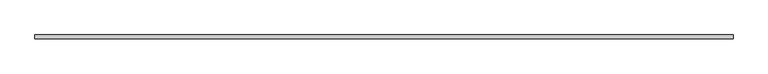
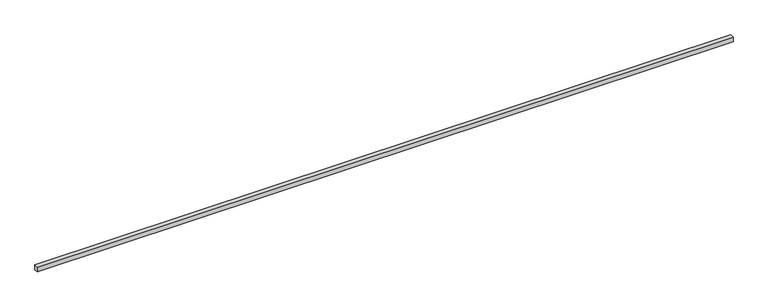
"""IFC4 building model written with IfcOpenShell, lengths in millimetres: proxy geometry."""

from ifc_helpers import new_model, si_unit, origin, origin_with_axes, place, context, project, spatial, polyline, outline, extrude, source, transform, mapped, element, save


def generic_models_fbf05884(model_context):
    return source(origin(), model_context, "Body", "SweptSolid", [
        extrude(outline(polyline([(14081.9040124, -40.0), (0.0, -40.0), (0.0, 40.0), (14081.9040124, 40.0), (14081.9040124, -40.0)])), origin_with_axes(), (0.0, 0.0, 1.0), 100.0),
    ])


if __name__ == "__main__":
    model = new_model("IFC4")
    model_context = context("Model", 3, world=origin())
    ifc_project = project(units=[si_unit("LENGTHUNIT", "METRE", prefix="MILLI")], contexts=[model_context])
    site = spatial("IfcSite", under=ifc_project)
    building = spatial("IfcBuilding", under=site)
    placement = place(None, origin())
    generic_models_shape = generic_models_fbf05884(model_context)
    element("IfcBuildingElementProxy", 1, Name="Generic Models", at=placement, inside=building, context=model_context, shape_type="MappedRepresentation", body=[
        mapped(generic_models_shape, transform((0.0, 0.0, 0.0), x_axis=(1.0, 0.0, 0.0), y_axis=(0.0, 1.0, 0.0), z_axis=(0.0, 0.0, 1.0))),
    ])
    save(model, "model.ifc")
